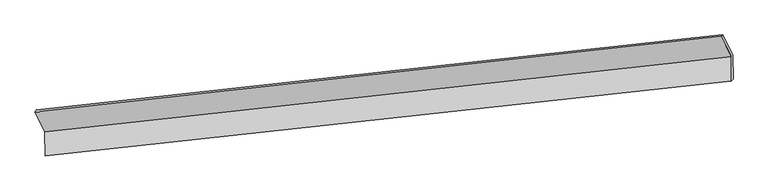
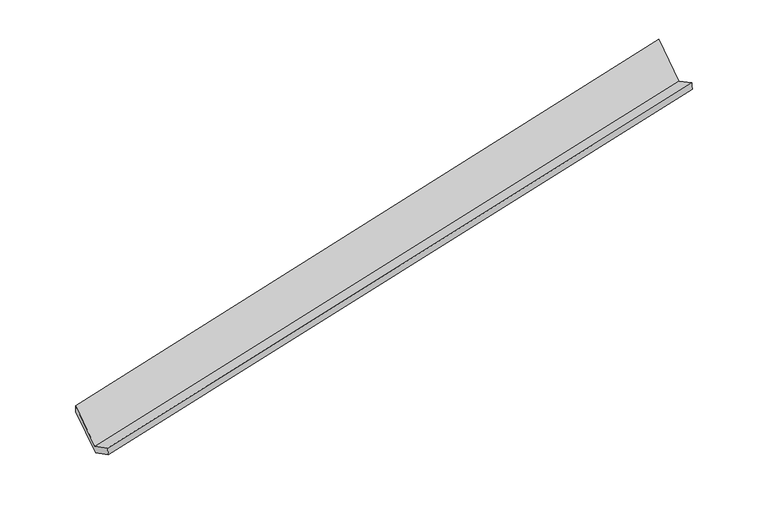
"""IFC4 building model written with IfcOpenShell, lengths in millimetres: proxy geometry."""

from ifc_helpers import new_model, si_unit, frame, origin, place, context, project, spatial, source, transform, mapped, element, save
from ifc_brep_helpers import plane_surface, spline_surface, advanced_brep


def generic_models_ea9fe46c(model_context):
    return source(origin(), model_context, "Body", "AdvancedBrep", [
        advanced_brep(
        [(-8499.6554252, -2121.162602, 568.8781126), (-8497.3825057, -2521.0727489, 774.6881065), (2862.2274095, -1282.3659721, 3078.0242953), (2859.9039545, -873.5643444, 2867.6383845), (-8469.8317896, -2490.7342192, 621.3633249), (2889.7275902, -1243.1359616, 2920.1235968), (-8472.0962008, -2092.3210862, 416.3237551), (2887.463179, -844.7228286, 2715.0840271), (-8639.1343529, -1759.2942903, 1065.2740643), (2720.4250268, -511.6960327, 3364.0343363), (-8664.4864633, -1792.5361669, 1209.2536897), (2690.6084153, -536.0369575, 3525.3587385)],
        [
            (0, 1),
            (1, 2),
            (2, 3),
            (3, 0),
            (1, 4),
            (4, 5),
            (5, 2),
            (4, 6),
            (6, 7),
            (7, 5),
            (6, 8),
            (8, 9),
            (9, 7),
            (8, 10),
            (10, 11),
            (11, 9),
            (10, 0),
            (3, 11),
        ],
        [
            plane_surface(frame((-8498.5189655, -2321.1176754, 671.7831095), z_axis=(-0.22431839077127824, 0.44492781058791925, 0.8670181675877531), x_axis=(0.0050535403934627325, -0.8891480785270831, 0.4575916915560071))),
            spline_surface(1, 1, [[(-8497.3825057, -2521.0727489, 774.6881065), (2862.2274095, -1282.3659721, 3078.0242953)], [(-8469.8317896, -2490.7342192, 621.3633249), (2889.7275902, -1243.1359616, 2920.1235968)]], [2, 2], [2, 2], [0.0, 1.0], [0.0, 1.0]),
            plane_surface(frame((-8470.9639952, -2291.5276527, 518.84354), z_axis=(0.2243183907712798, -0.44492781058798403, -0.8670181675877193), x_axis=(-0.005053540393433472, 0.8891480785270519, -0.4575916915560678))),
            plane_surface(frame((-8555.6152769, -1925.8076882, 740.7989097), z_axis=(-0.005053540393473874, 0.889148078527052, -0.4575916915560678), x_axis=(-0.22322506324936195, 0.44504759316559067, 0.867238843084668))),
            spline_surface(1, 1, [[(-8639.1343529, -1759.2942903, 1065.2740643), (2720.4250268, -511.6960327, 3364.0343363)], [(-8664.4864633, -1792.5361669, 1209.2536897), (2690.6084153, -536.0369575, 3525.3587385)]], [2, 2], [2, 2], [0.0, 1.0], [0.0, 1.0]),
            plane_surface(frame((-8582.0709443, -1956.8493845, 889.0659012), z_axis=(0.00505354039348907, -0.8891480785270813, 0.45759169155601015), x_axis=(0.22322506324935726, -0.44504759316553205, -0.8672388430846992))),
            plane_surface(frame((2818.3925959, -881.9203495, 3078.3772298), z_axis=(0.9747538319323568, 0.10652856081420714, 0.19623107007821392), x_axis=(-0.17977781270898166, -0.1467624251082025, 0.9726976553040177))),
            plane_surface(frame((-8540.4311229, -2129.5201856, 775.9635089), z_axis=(-0.9747538319323565, -0.10652856081423817, -0.19623107007819815), x_axis=(-0.22322506324935742, 0.445047593165533, 0.8672388430846988))),
        ],
        [
            (0, [[1, 2, 3, 4]]),
            (1, [[5, 6, 7, -2]]),
            (2, [[8, 9, 10, -6]]),
            (3, [[11, 12, 13, -9]]),
            (4, [[14, 15, 16, -12]]),
            (5, [[17, -4, 18, -15]]),
            (6, [[-16, -18, -3, -7, -10, -13]]),
            (7, [[-17, -14, -11, -8, -5, -1]]),
        ],
    ),
    ])


if __name__ == "__main__":
    model = new_model("IFC4")
    model_context = context("Model", 3, world=origin())
    ifc_project = project(units=[si_unit("LENGTHUNIT", "METRE", prefix="MILLI")], contexts=[model_context])
    site = spatial("IfcSite", under=ifc_project)
    building = spatial("IfcBuilding", under=site)
    placement = place(None, origin())
    generic_models_shape = generic_models_ea9fe46c(model_context)
    element("IfcBuildingElementProxy", 1, Name="Generic Models", at=placement, inside=building, context=model_context, shape_type="MappedRepresentation", body=[
        mapped(generic_models_shape, transform((0.0, 0.0, 0.0), x_axis=(1.0, 0.0, 0.0), y_axis=(0.0, 1.0, 0.0), z_axis=(0.0, 0.0, 1.0))),
    ])
    save(model, "model.ifc")
